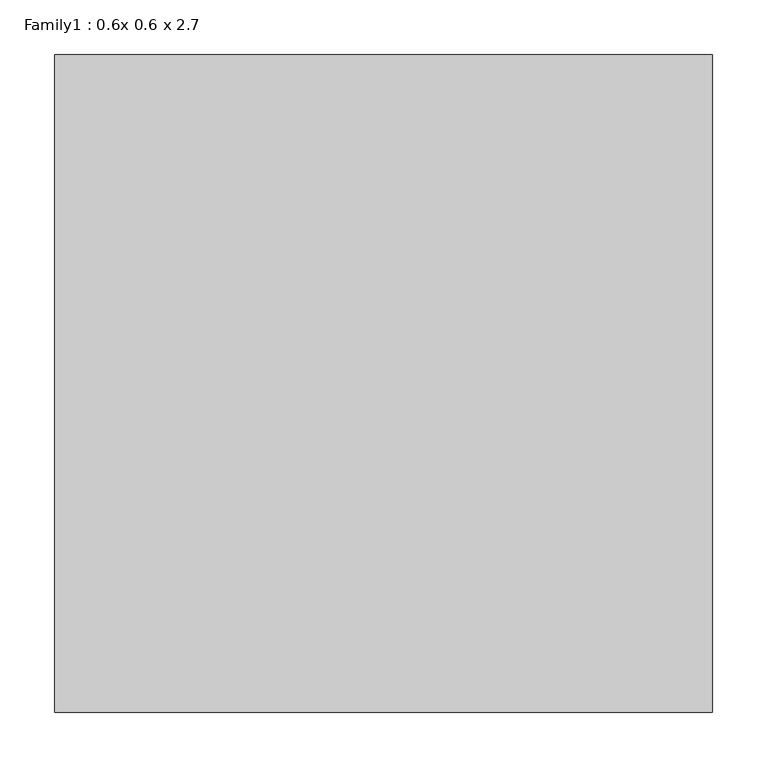
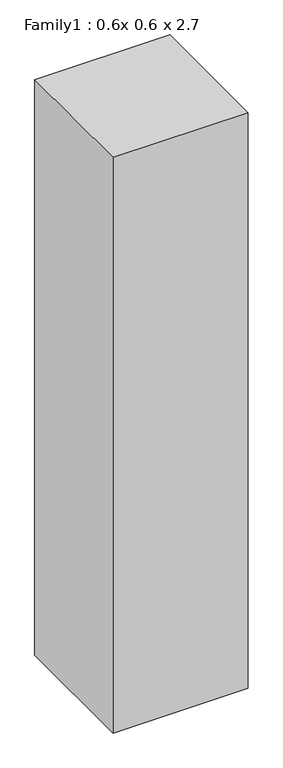
"""IFC4 building model written with IfcOpenShell, lengths in millimetres: proxy geometry, Family1 : 0.6x 0.6 x 2.7."""

import ifcopenshell
import ifcopenshell.guid

model = None  # the IFC model being written
_history = None  # IfcOwnerHistory: only IFC2X3 demands one
_inside = {}  # id of a spatial element -> (the spatial element, [elements in it])
_under = {}  # id of a project, library or spatial element -> (it, [spatial elements below it])
_declared = {}  # id of a project -> (the project, [libraries it declares])
_typed = {}  # id of a type object -> (the type object, [elements of that type])
_made_of = {}  # id of a material, layer set ... -> (it, [elements and type objects made of it])


def new_model(schema):
    """Start an empty IFC model of exactly this schema.

    Asked for "IFC4X3", IfcOpenShell would pick the latest addendum, in which some entities
    have other attributes; the version numbers below select the first issue.
    IFC2X3 requires an IfcOwnerHistory on every rooted entity: one is made here for all.
    """
    global model, _history
    if schema == "IFC4X3":
        model = ifcopenshell.file(schema_version=(4, 3, 0, 0))
    else:
        model = ifcopenshell.file(schema=schema)
    _inside.clear()
    _under.clear()
    _declared.clear()
    _typed.clear()
    _made_of.clear()
    _history = None
    if model.schema == "IFC2X3":
        org = make("IfcOrganization", Name="unknown")
        user = make(
            "IfcPersonAndOrganization",
            ThePerson=make("IfcPerson", FamilyName="unknown"),
            TheOrganization=org,
        )
        app = make(
            "IfcApplication",
            ApplicationDeveloper=org,
            Version="unknown",
            ApplicationFullName="unknown",
            ApplicationIdentifier="unknown",
        )
        _history = make(
            "IfcOwnerHistory",
            OwningUser=user,
            OwningApplication=app,
            ChangeAction="ADDED",
            CreationDate=0,
        )
    return model


def make(cls, **values):
    """One entity of the class cls with the attributes given. An attribute that is None is left unset."""
    return model.create_entity(
        cls, **{name: value for name, value in values.items() if value is not None}
    )


def rooted(cls, **values):
    """An entity with a GlobalId (a new one), such as an element, a storey or a relation."""
    return make(cls, GlobalId=ifcopenshell.guid.new(), OwnerHistory=_history, **values)


def si_unit(unit_type, name, prefix=None):
    """IfcSIUnit, for example si_unit("LENGTHUNIT", "METRE", prefix="MILLI")."""
    return make("IfcSIUnit", UnitType=unit_type, Prefix=prefix, Name=name)


def assignment(units):
    """IfcUnitAssignment: the units of a project."""
    return None if units is None else make("IfcUnitAssignment", Units=units)


def point(xyz):
    """IfcCartesianPoint."""
    return None if xyz is None else make("IfcCartesianPoint", Coordinates=xyz)


def direction(xyz):
    """IfcDirection."""
    return None if xyz is None else make("IfcDirection", DirectionRatios=xyz)


def frame(location, z_axis=None, x_axis=None):
    """IfcAxis2Placement3D, a coordinate frame: its origin and axes. An axis left out is left unset."""
    return make(
        "IfcAxis2Placement3D",
        Location=point(location),
        Axis=direction(z_axis),
        RefDirection=direction(x_axis),
    )


def origin():
    """The frame at (0, 0, 0) with its axes left unset."""
    return frame((0.0, 0.0, 0.0))


def origin_with_axes():
    """The frame at (0, 0, 0) with the z axis (0, 0, 1) and the x axis (1, 0, 0) written out."""
    return frame((0.0, 0.0, 0.0), z_axis=(0.0, 0.0, 1.0), x_axis=(1.0, 0.0, 0.0))


def place(relative_to, where):
    """IfcLocalPlacement: puts the frame where relative to a parent placement (None: the world)."""
    return make(
        "IfcLocalPlacement", PlacementRelTo=relative_to, RelativePlacement=where
    )


def context(
    kind, dimensions, precision=None, world=None, true_north=None, identifier=None
):
    """IfcGeometricRepresentationContext, for example the 3D "Model" context."""
    return make(
        "IfcGeometricRepresentationContext",
        ContextIdentifier=identifier,
        ContextType=kind,
        CoordinateSpaceDimension=dimensions,
        Precision=precision,
        WorldCoordinateSystem=world,
        TrueNorth=true_north,
    )


def project(units=None, contexts=None):
    """IfcProject with its units and contexts."""
    return rooted(
        "IfcProject",
        Name="project",
        RepresentationContexts=contexts,
        UnitsInContext=assignment(units),
    )


def spatial(cls, under=None, at=None, **own):
    """A site, building, storey or space (cls), placed at a placement, below another one or the project."""
    s = rooted(cls, ObjectPlacement=at, **own)
    if under is not None:
        _under.setdefault(under.id(), (under, []))[1].append(s)
    return s


def polyline(points):
    """IfcPolyline through the points."""
    return make("IfcPolyline", Points=[point(p) for p in points])


def outline(outer, holes=None, kind="AREA"):
    """IfcArbitraryClosedProfileDef: a profile drawn as a closed curve; with holes, ...WithVoids."""
    if holes is None:
        return make("IfcArbitraryClosedProfileDef", ProfileType=kind, OuterCurve=outer)
    return make(
        "IfcArbitraryProfileDefWithVoids",
        ProfileType=kind,
        OuterCurve=outer,
        InnerCurves=holes,
    )


def extrude(swept, where, along, depth):
    """IfcExtrudedAreaSolid: the profile swept, set in the frame where, extruded along a direction by depth."""
    return make(
        "IfcExtrudedAreaSolid",
        SweptArea=swept,
        Position=where,
        ExtrudedDirection=direction(along),
        Depth=depth,
    )


def shape(context_of_items, identifier, shape_type, items):
    """IfcShapeRepresentation: the items that make up one representation, for example the "Body"."""
    return make(
        "IfcShapeRepresentation",
        ContextOfItems=context_of_items,
        RepresentationIdentifier=identifier,
        RepresentationType=shape_type,
        Items=items,
    )


def source(mapping_origin, context_of_items, identifier, shape_type, items):
    """IfcRepresentationMap: a shape defined once, which mapped items show again and again."""
    return make(
        "IfcRepresentationMap",
        MappingOrigin=mapping_origin,
        MappedRepresentation=shape(context_of_items, identifier, shape_type, items),
    )


def transform(
    local_origin,
    x_axis=None,
    y_axis=None,
    z_axis=None,
    scale=None,
    scale2=None,
    scale3=None,
    uniform=True,
):
    """IfcCartesianTransformationOperator3D, or its non-uniform kind. x_axis, y_axis, z_axis: its Axis1, 2, 3."""
    if uniform:
        return make(
            "IfcCartesianTransformationOperator3D",
            Axis1=direction(x_axis),
            Axis2=direction(y_axis),
            LocalOrigin=point(local_origin),
            Scale=scale,
            Axis3=direction(z_axis),
        )
    return make(
        "IfcCartesianTransformationOperator3DnonUniform",
        Axis1=direction(x_axis),
        Axis2=direction(y_axis),
        LocalOrigin=point(local_origin),
        Scale=scale,
        Axis3=direction(z_axis),
        Scale2=scale2,
        Scale3=scale3,
    )


def mapped(mapping_source, mapping_target):
    """IfcMappedItem: shows the shape of a source again, moved by a transform."""
    return make(
        "IfcMappedItem", MappingSource=mapping_source, MappingTarget=mapping_target
    )


def made_of(thing, what):
    """Note that an element or type object is made of a material, layer set ...; save() writes the relation."""
    if what is not None:
        _made_of.setdefault(what.id(), (what, []))[1].append(thing)
    return thing


def element(
    cls,
    number,
    at=None,
    inside=None,
    cuts=None,
    type_object=None,
    material=None,
    context=None,
    identifier="Body",
    shape_type=None,
    held_by="IfcProductDefinitionShape",
    body=None,
    shapes=None,
    **own,
):
    """One element of the class cls, such as IfcWall. Its Tag is "e" and its number.

    at: its placement. inside: the storey or other place that contains it. cuts: it is an
    opening in that element (IfcRelVoidsElement). A single representation is given by context,
    identifier, shape_type and body (its items); several are given by shapes. held_by: the class
    of the entity that holds the representations. save() writes the other relations.
    """
    e = rooted(cls, Tag="e%d" % number, ObjectPlacement=at, **own)
    if body is not None:
        shapes = [shape(context, identifier, shape_type, body)]
    if shapes is not None:
        e.Representation = make(held_by, Representations=shapes)
    if inside is not None:
        _inside.setdefault(inside.id(), (inside, []))[1].append(e)
    if cuts is not None:
        rooted(
            "IfcRelVoidsElement", RelatingBuildingElement=cuts, RelatedOpeningElement=e
        )
    if type_object is not None:
        _typed.setdefault(type_object.id(), (type_object, []))[1].append(e)
    return made_of(e, material)


def aggregate(whole, parts):
    """IfcRelAggregates: a whole, such as a stair, and the parts it consists of."""
    return rooted("IfcRelAggregates", RelatingObject=whole, RelatedObjects=parts)


def save(model, path):
    """Write the relations noted so far, then the file.

    IfcRelAggregates (storeys below a building ...), IfcRelContainedInSpatialStructure (elements
    in a storey), IfcRelDefinesByType, IfcRelAssociatesMaterial and IfcRelDeclares: one each for
    every whole, place, type object, material and project.
    """
    for whole, parts in _under.values():
        aggregate(whole, parts)
    for where, things in _inside.values():
        rooted(
            "IfcRelContainedInSpatialStructure",
            RelatedElements=things,
            RelatingStructure=where,
        )
    for kind, things in _typed.values():
        rooted("IfcRelDefinesByType", RelatedObjects=things, RelatingType=kind)
    for what, things in _made_of.values():
        rooted("IfcRelAssociatesMaterial", RelatedObjects=things, RelatingMaterial=what)
    for by, libraries in _declared.values():
        rooted("IfcRelDeclares", RelatingContext=by, RelatedDefinitions=libraries)
    model.write(path)


def family1_0_6x_0_6_x_2_7_e3084d9a(model_context):
    return source(origin(), model_context, "Body", "SweptSolid", [
        extrude(outline(polyline([(0.0, 600.0), (0.0, 0.0), (-600.0, 0.0), (-600.0, 600.0), (0.0, 600.0)])), origin_with_axes(), (0.0, 0.0, 1.0), 2700.0),
    ])


if __name__ == "__main__":
    model = new_model("IFC4")
    model_context = context("Model", 3, world=origin())
    ifc_project = project(units=[si_unit("LENGTHUNIT", "METRE", prefix="MILLI")], contexts=[model_context])
    site = spatial("IfcSite", under=ifc_project)
    building = spatial("IfcBuilding", under=site)
    placement = place(None, origin())
    family1_0_6x_0_6_x_2_7_shape = family1_0_6x_0_6_x_2_7_e3084d9a(model_context)
    element("IfcBuildingElementProxy", 1, Name="Family1 : 0.6x 0.6 x 2.7", ObjectType="Family1 : 0.6x 0.6 x 2.7", at=placement, inside=building, context=model_context, shape_type="MappedRepresentation", body=[
        mapped(family1_0_6x_0_6_x_2_7_shape, transform((0.0, 0.0, 0.0), x_axis=(1.0, 0.0, 0.0), y_axis=(0.0, 1.0, 0.0), z_axis=(0.0, 0.0, 1.0))),
    ])
    save(model, "model.ifc")
